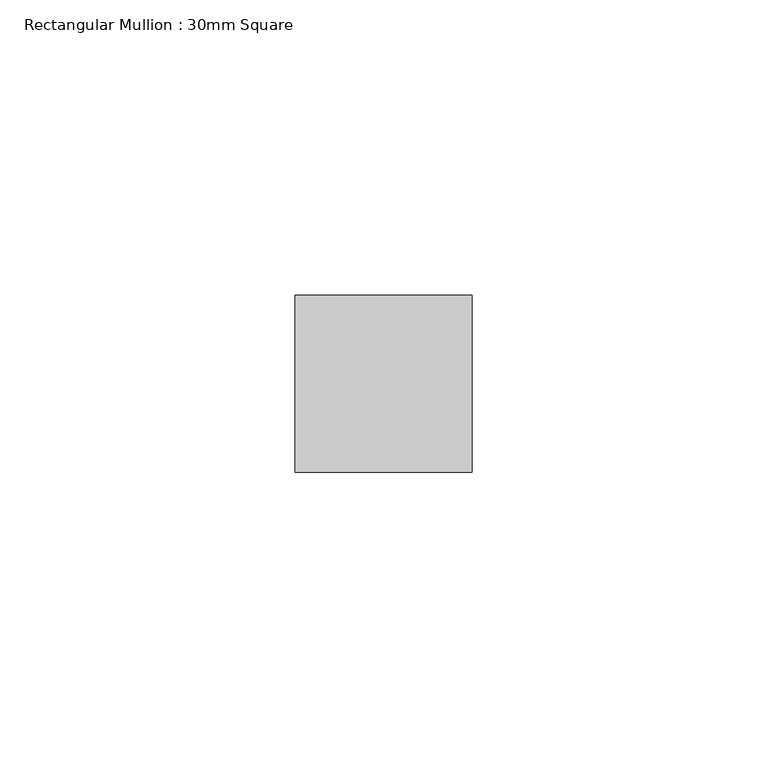
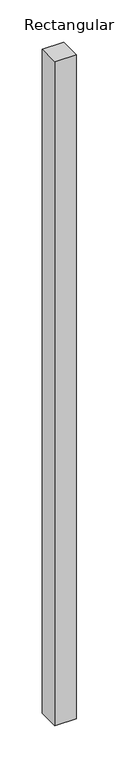
"""IFC4 building model written with IfcOpenShell, lengths in millimetres: member geometry, Rectangular Mullion : 30mm Square."""

from ifc_helpers import new_model, si_unit, frame, origin, place, context, project, spatial, polyline, outline, extrude, source, transform, mapped, element, save


def rectangular_mullion_30mm_square_80d57400(model_context):
    return source(origin(), model_context, "Body", "SweptSolid", [
        extrude(outline(polyline([(15.0, 15.0), (15.0, -15.0), (-15.0, -15.0), (-15.0, 15.0), (15.0, 15.0)])), frame((0.0, 0.0, -964.5115613), z_axis=(0.0, 0.0, 1.0), x_axis=(1.0, 0.0, 0.0)), (0.0, 0.0, 1.0), 964.5115613),
    ])


if __name__ == "__main__":
    model = new_model("IFC4")
    model_context = context("Model", 3, world=origin())
    ifc_project = project(units=[si_unit("LENGTHUNIT", "METRE", prefix="MILLI")], contexts=[model_context])
    site = spatial("IfcSite", under=ifc_project)
    building = spatial("IfcBuilding", under=site)
    placement = place(None, origin())
    rectangular_mullion_30mm_square_shape = rectangular_mullion_30mm_square_80d57400(model_context)
    element("IfcMember", 1, ObjectType="Rectangular Mullion : 30mm Square", at=placement, inside=building, context=model_context, shape_type="MappedRepresentation", body=[
        mapped(rectangular_mullion_30mm_square_shape, transform((0.0, 0.0, 0.0), x_axis=(1.0, 0.0, 0.0), y_axis=(0.0, 1.0, 0.0), z_axis=(0.0, 0.0, 1.0))),
    ])
    save(model, "model.ifc")
